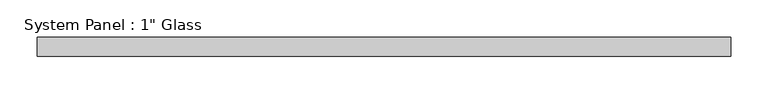
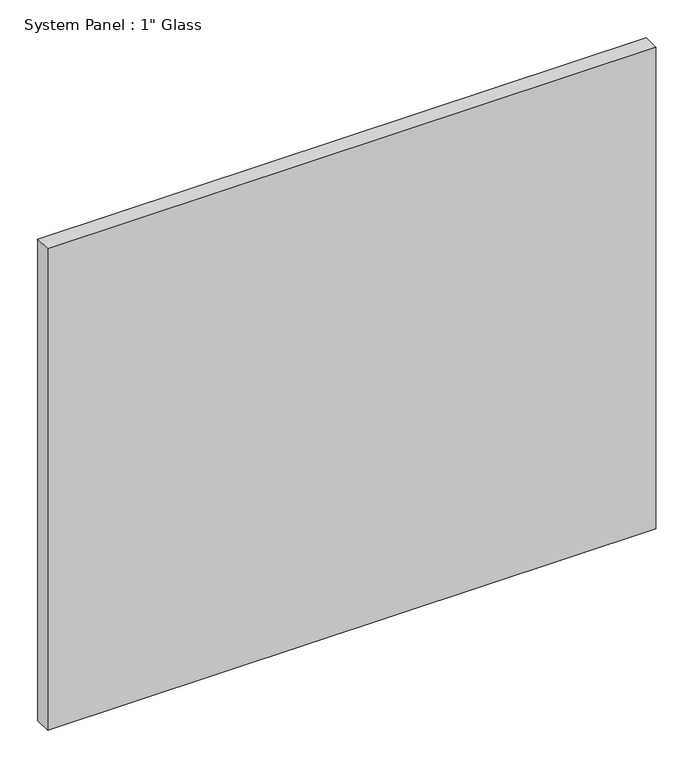
"""IFC4 building model written with IfcOpenShell, lengths in millimetres: plate geometry."""

from ifc_helpers import new_model, si_unit, origin, origin_with_axes, place, context, project, spatial, polyline, outline, extrude, source, transform, mapped, element, save


def plate_e3cba269(model_context):
    return source(origin(), model_context, "Body", "SweptSolid", [
        extrude(outline(polyline([(463.1158815, -12.7), (-463.1158815, -12.7), (-463.1158815, 12.7), (463.1158815, 12.7), (463.1158815, -12.7)])), origin_with_axes(), (0.0, 0.0, 1.0), 774.7),
    ])


if __name__ == "__main__":
    model = new_model("IFC4")
    model_context = context("Model", 3, world=origin())
    ifc_project = project(units=[si_unit("LENGTHUNIT", "METRE", prefix="MILLI")], contexts=[model_context])
    site = spatial("IfcSite", under=ifc_project)
    building = spatial("IfcBuilding", under=site)
    placement = place(None, origin())
    plate_shape = plate_e3cba269(model_context)
    element("IfcPlate", 1, ObjectType="System Panel : 1\" Glass", at=placement, inside=building, context=model_context, shape_type="MappedRepresentation", body=[
        mapped(plate_shape, transform((0.0, 0.0, 0.0), x_axis=(1.0, 0.0, 0.0), y_axis=(0.0, 1.0, 0.0), z_axis=(0.0, 0.0, 1.0))),
    ])
    save(model, "model.ifc")
